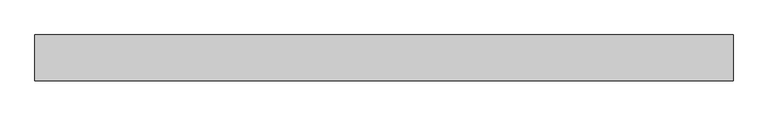
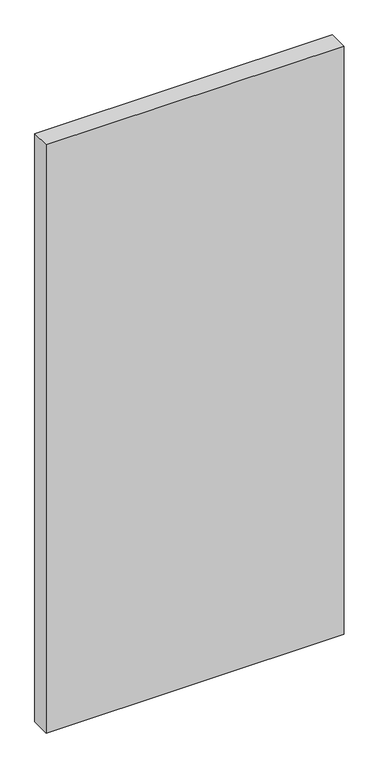
"""IFC4 building model written with IfcOpenShell, lengths in millimetres: proxy geometry."""

from ifc_helpers import new_model, si_unit, origin, origin_with_axes, place, context, project, spatial, polyline, outline, extrude, source, transform, mapped, element, save


def generic_models_ca6112ed(model_context):
    return source(origin(), model_context, "Body", "SweptSolid", [
        extrude(outline(polyline([(520.0, 0.0), (520.0, -68.0), (-520.0, -68.0), (-520.0, 0.0), (520.0, 0.0)])), origin_with_axes(), (0.0, 0.0, 1.0), 2170.0),
    ])


if __name__ == "__main__":
    model = new_model("IFC4")
    model_context = context("Model", 3, world=origin())
    ifc_project = project(units=[si_unit("LENGTHUNIT", "METRE", prefix="MILLI")], contexts=[model_context])
    site = spatial("IfcSite", under=ifc_project)
    building = spatial("IfcBuilding", under=site)
    placement = place(None, origin())
    generic_models_shape = generic_models_ca6112ed(model_context)
    element("IfcBuildingElementProxy", 1, Name="Generic Models", at=placement, inside=building, context=model_context, shape_type="MappedRepresentation", body=[
        mapped(generic_models_shape, transform((0.0, 0.0, 0.0), x_axis=(1.0, 0.0, 0.0), y_axis=(0.0, 1.0, 0.0), z_axis=(0.0, 0.0, 1.0))),
    ])
    save(model, "model.ifc")
